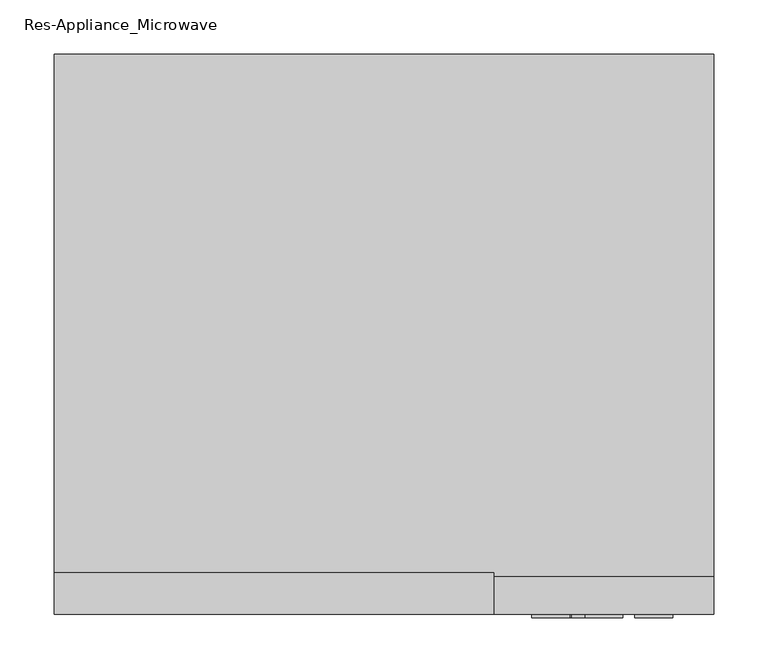
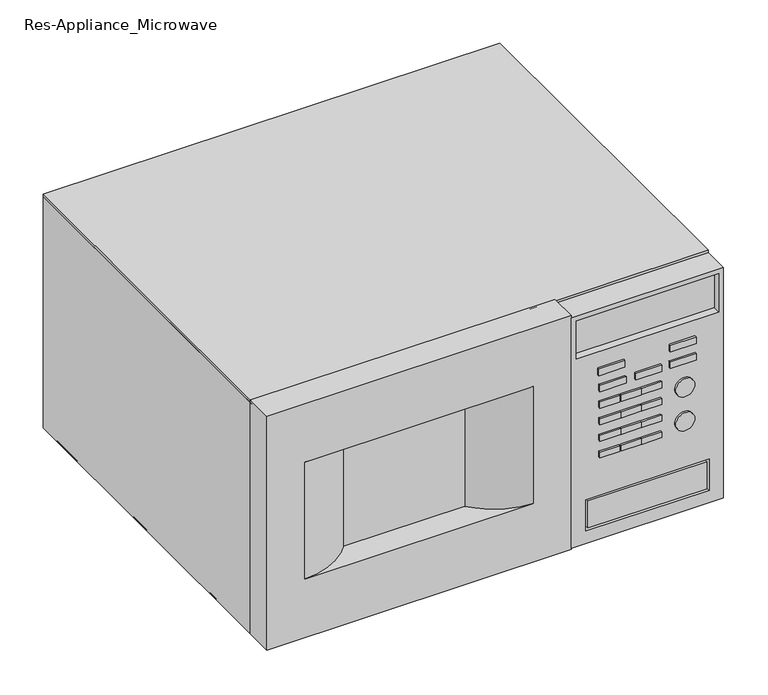
"""IFC4 building model written with IfcOpenShell, lengths in millimetres: proxy geometry, Res-Appliance_Microwave."""

from ifc_helpers import new_model, si_unit, point, frame, frame_2d, origin, origin_with_axes, place, context, project, spatial, polyline, circle_curve, trimmed, segment, composite_curve, outline, extrude, source, transform, mapped, element, save


def res_appliance_microwave_5dda0b2e(model_context):
    return source(origin(), model_context, "Body", "SweptSolid", [
        extrude(outline(polyline([(326.7083045, 434.5268934), (326.7083045, 231.3268934), (1.5875, 231.3268934), (1.5875, 434.5268934), (326.7083045, 434.5268934)]), holes=[polyline([(320.675, 428.1768934), (266.7, 428.1768934), (266.7, 237.6768934), (320.675, 237.6768934), (320.675, 428.1768934)]), polyline([(63.5284377, 415.4762266), (19.0784377, 415.4762266), (19.0784377, 250.3762266), (63.5284377, 250.3762266), (63.5284377, 415.4762266)])]), frame((0.0, -730.3471671, 0.0), z_axis=(0.0, 1.0, 0.0), x_axis=(0.0, 0.0, 1.0)), (0.0, 0.0, 1.0), 34.925),
        extrude(outline(polyline([(412.3012266, -730.3471671), (253.5512266, -730.3471671), (253.5512266, -695.4221671), (412.3012266, -695.4221671), (412.3012266, -730.3471671)])), frame((0.0, 0.0, 22.2534377), z_axis=(0.0, 0.0, 1.0), x_axis=(1.0, 0.0, 0.0)), (0.0, 0.0, 1.0), 38.1),
        extrude(outline(polyline([(302.727743, -733.5221671), (267.802743, -733.5221671), (267.802743, -730.3471671), (302.727743, -730.3471671), (302.727743, -733.5221671)])), frame((0.0, 0.0, 211.6666667), z_axis=(0.0, 0.0, 1.0), x_axis=(1.0, 0.0, 0.0)), (0.0, 0.0, 1.0), 9.1663745),
        extrude(outline(polyline([(350.3893934, -733.5221671), (315.4643934, -733.5221671), (315.4643934, -730.3471671), (350.3893934, -730.3471671), (350.3893934, -733.5221671)])), frame((0.0, 0.0, 211.6666667), z_axis=(0.0, 0.0, 1.0), x_axis=(1.0, 0.0, 0.0)), (0.0, 0.0, 1.0), 9.1663745),
        extrude(outline(polyline([(396.4858162, -733.5221671), (361.5608162, -733.5221671), (361.5608162, -730.3471671), (396.4858162, -730.3471671), (396.4858162, -733.5221671)])), frame((0.0, 0.0, 211.6666667), z_axis=(0.0, 0.0, 1.0), x_axis=(1.0, 0.0, 0.0)), (0.0, 0.0, 1.0), 9.1663745),
        extrude(outline(polyline([(396.4858162, -733.5221671), (361.5608162, -733.5221671), (361.5608162, -730.3471671), (396.4858162, -730.3471671), (396.4858162, -733.5221671)])), frame((0.0, 0.0, 234.95), z_axis=(0.0, 0.0, 1.0), x_axis=(1.0, 0.0, 0.0)), (0.0, 0.0, 1.0), 9.525),
        extrude(outline(polyline([(295.583993, -733.5221671), (267.802743, -733.5221671), (267.802743, -730.3471671), (295.583993, -730.3471671), (295.583993, -733.5221671)])), frame((0.0, 0.0, 165.1), z_axis=(0.0, 0.0, 1.0), x_axis=(1.0, 0.0, 0.0)), (0.0, 0.0, 1.0), 8.4491236),
        extrude(outline(polyline([(322.8859375, -733.5221671), (296.377743, -733.5221671), (296.377743, -730.3471671), (322.8859375, -730.3471671), (322.8859375, -733.5221671)])), frame((0.0, 0.0, 165.1), z_axis=(0.0, 0.0, 1.0), x_axis=(1.0, 0.0, 0.0)), (0.0, 0.0, 1.0), 8.4491236),
        extrude(outline(polyline([(350.3893934, -733.5221671), (323.6796875, -733.5221671), (323.6796875, -730.3471671), (350.3893934, -730.3471671), (350.3893934, -733.5221671)])), frame((0.0, 0.0, 165.1), z_axis=(0.0, 0.0, 1.0), x_axis=(1.0, 0.0, 0.0)), (0.0, 0.0, 1.0), 8.4491236),
        extrude(outline(polyline([(350.3893934, -733.5221671), (323.6796875, -733.5221671), (323.6796875, -730.3471671), (350.3893934, -730.3471671), (350.3893934, -733.5221671)])), frame((0.0, 0.0, 188.0880018), z_axis=(0.0, 0.0, 1.0), x_axis=(1.0, 0.0, 0.0)), (0.0, 0.0, 1.0), 9.1030806),
        extrude(outline(polyline([(295.583993, -733.5221671), (267.802743, -733.5221671), (267.802743, -730.3471671), (295.583993, -730.3471671), (295.583993, -733.5221671)])), frame((0.0, 0.0, 141.8166667), z_axis=(0.0, 0.0, 1.0), x_axis=(1.0, 0.0, 0.0)), (0.0, 0.0, 1.0), 8.0904981),
        extrude(outline(polyline([(322.8859375, -733.5221671), (296.377743, -733.5221671), (296.377743, -730.3471671), (322.8859375, -730.3471671), (322.8859375, -733.5221671)])), frame((0.0, 0.0, 141.8166667), z_axis=(0.0, 0.0, 1.0), x_axis=(1.0, 0.0, 0.0)), (0.0, 0.0, 1.0), 8.0904981),
        extrude(outline(polyline([(350.3893934, -733.5221671), (323.6796875, -733.5221671), (323.6796875, -730.3471671), (350.3893934, -730.3471671), (350.3893934, -733.5221671)])), frame((0.0, 0.0, 141.8166667), z_axis=(0.0, 0.0, 1.0), x_axis=(1.0, 0.0, 0.0)), (0.0, 0.0, 1.0), 8.0904981),
        extrude(outline(polyline([(350.3893934, -733.5221671), (323.6796875, -733.5221671), (323.6796875, -730.3471671), (350.3893934, -730.3471671), (350.3893934, -733.5221671)])), frame((0.0, 0.0, 118.1659363), z_axis=(0.0, 0.0, 1.0), x_axis=(1.0, 0.0, 0.0)), (0.0, 0.0, 1.0), 8.0992697),
        extrude(outline(composite_curve([segment(trimmed(circle_curve(frame_2d((177.8117796, 381.7923379)), 12.7), [point((177.8117796, 394.4923379))], [point((177.8117796, 369.0923379))], False, "CARTESIAN"), True, "CONTINUOUS"), segment(trimmed(circle_curve(frame_2d((177.8117796, 381.7923379)), 12.7), [point((177.8117796, 369.0923379))], [point((177.8117796, 394.4923379))], False, "CARTESIAN"), True, "CONTINUOUS")], self_intersect=False)), frame((0.0, -733.5221671, 0.0), z_axis=(0.0, 1.0, 0.0), x_axis=(0.0, 0.0, 1.0)), (0.0, 0.0, 1.0), 3.175),
        extrude(outline(composite_curve([segment(trimmed(circle_curve(frame_2d((129.8193826, 381.7923379)), 12.7), [point((129.8193826, 394.4923379))], [point((129.8193826, 369.0923379))], False, "CARTESIAN"), True, "CONTINUOUS"), segment(trimmed(circle_curve(frame_2d((129.8193826, 381.7923379)), 12.7), [point((129.8193826, 369.0923379))], [point((129.8193826, 394.4923379))], False, "CARTESIAN"), True, "CONTINUOUS")], self_intersect=False)), frame((0.0, -733.5221671, 0.0), z_axis=(0.0, 1.0, 0.0), x_axis=(0.0, 0.0, 1.0)), (0.0, 0.0, 1.0), 3.175),
        extrude(outline(polyline([(301.2358162, -733.5221671), (266.3108162, -733.5221671), (266.3108162, -730.3471671), (301.2358162, -730.3471671), (301.2358162, -733.5221671)])), frame((0.0, 0.0, 234.95), z_axis=(0.0, 0.0, 1.0), x_axis=(1.0, 0.0, 0.0)), (0.0, 0.0, 1.0), 9.525),
        extrude(outline(polyline([(323.0874489, -733.5221671), (296.377743, -733.5221671), (296.377743, -730.3471671), (323.0874489, -730.3471671), (323.0874489, -733.5221671)])), frame((0.0, 0.0, 118.1659363), z_axis=(0.0, 0.0, 1.0), x_axis=(1.0, 0.0, 0.0)), (0.0, 0.0, 1.0), 8.0992697),
        extrude(outline(polyline([(294.5124489, -733.5221671), (267.802743, -733.5221671), (267.802743, -730.3471671), (294.5124489, -730.3471671), (294.5124489, -733.5221671)])), frame((0.0, 0.0, 118.1659363), z_axis=(0.0, 0.0, 1.0), x_axis=(1.0, 0.0, 0.0)), (0.0, 0.0, 1.0), 8.0992697),
        extrude(outline(polyline([(323.0874489, -733.5221671), (296.377743, -733.5221671), (296.377743, -730.3471671), (323.0874489, -730.3471671), (323.0874489, -733.5221671)])), frame((0.0, 0.0, 188.0880018), z_axis=(0.0, 0.0, 1.0), x_axis=(1.0, 0.0, 0.0)), (0.0, 0.0, 1.0), 9.1030806),
        extrude(outline(polyline([(294.5124489, -733.5221671), (267.802743, -733.5221671), (267.802743, -730.3471671), (294.5124489, -730.3471671), (294.5124489, -733.5221671)])), frame((0.0, 0.0, 188.0880018), z_axis=(0.0, 0.0, 1.0), x_axis=(1.0, 0.0, 0.0)), (0.0, 0.0, 1.0), 9.1030806),
        extrude(outline(polyline([(428.1768934, -720.8221671), (237.6768934, -720.8221671), (237.6768934, -695.4221671), (428.1768934, -695.4221671), (428.1768934, -720.8221671)])), frame((0.0, 0.0, 266.7), z_axis=(0.0, 0.0, 1.0), x_axis=(1.0, 0.0, 0.0)), (0.0, 0.0, 1.0), 53.975),
        extrude(outline(polyline([(110.7848302, -692.2471671), (110.7848302, -695.4221671), (-53.5986317, -695.4221671), (-53.5986317, -692.2471671), (110.7848302, -692.2471671)])), frame((0.0, 0.0, 82.55), z_axis=(0.0, 0.0, 1.0), x_axis=(1.0, 0.0, 0.0)), (0.0, 0.0, 1.0), 165.1),
        extrude(outline(composite_curve([segment(trimmed(circle_curve(frame_2d((-128.7391893, -629.1544343)), 98.1162389), [point((-124.2731066, -727.1689762))], [point((-53.5986317, -692.2471671))], True, "CARTESIAN"), True, "CONTINUOUS"), segment(polyline([(-53.5986317, -692.2471671), (-49.4976463, -692.2471671)]), True, "CONTINUOUS"), segment(trimmed(circle_curve(frame_2d((-128.7391893, -629.1544343)), 101.2912389), [point((-49.4976463, -692.2471671))], [point((-124.2731066, -730.3471671))], False, "CARTESIAN"), True, "CONTINUOUS"), segment(polyline([(-124.2731066, -730.3471671), (-124.2731066, -727.1689762)]), True, "CONTINUOUS")], self_intersect=False)), frame((0.0, 0.0, 82.55), z_axis=(0.0, 0.0, 1.0), x_axis=(1.0, 0.0, 0.0)), (0.0, 0.0, 1.0), 165.1),
        extrude(outline(composite_curve([segment(polyline([(180.5268934, -727.1689762), (180.5268934, -730.3471671)]), True, "CONTINUOUS"), segment(trimmed(circle_curve(frame_2d((184.9929762, -629.1544343)), 101.2912389), [point((180.5268934, -730.3471671))], [point((105.7514332, -692.2471671))], False, "CARTESIAN"), True, "CONTINUOUS"), segment(polyline([(105.7514332, -692.2471671), (109.8524186, -692.2471671)]), True, "CONTINUOUS"), segment(trimmed(circle_curve(frame_2d((184.9929762, -629.1544343)), 98.1162389), [point((109.8524186, -692.2471671))], [point((180.5268934, -727.1689762))], True, "CARTESIAN"), True, "CONTINUOUS")], self_intersect=False)), frame((0.0, 0.0, 82.55), z_axis=(0.0, 0.0, 1.0), x_axis=(1.0, 0.0, 0.0)), (0.0, 0.0, 1.0), 165.1),
        extrude(outline(polyline([(330.2, -175.0731066), (0.0, -175.0731066), (0.0, 231.3268934), (330.2, 231.3268934), (330.2, -175.0731066)]), holes=[composite_curve([segment(trimmed(circle_curve(frame_2d((246.4419106, 179.318804)), 1.2080894), [point((247.65, 179.318804))], [point((246.4419106, 180.5268934))], True, "CARTESIAN"), True, "CONTINUOUS"), segment(polyline([(246.4419106, 180.5268934), (83.7781506, 180.5268934)]), True, "CONTINUOUS"), segment(trimmed(circle_curve(frame_2d((83.7781506, 179.2987429)), 1.2281506), [point((83.7781506, 180.5268934))], [point((82.55, 179.2987429))], True, "CARTESIAN"), True, "CONTINUOUS"), segment(polyline([(82.55, 179.2987429), (82.55, -123.0707347)]), True, "CONTINUOUS"), segment(trimmed(circle_curve(frame_2d((83.7523718, -123.0707347)), 1.2023718), [point((82.55, -123.0707347))], [point((83.7523718, -124.2731066))], True, "CARTESIAN"), True, "CONTINUOUS"), segment(polyline([(83.7523718, -124.2731066), (245.8045713, -124.2731066)]), True, "CONTINUOUS"), segment(trimmed(circle_curve(frame_2d((245.8045713, -122.4276779)), 1.8454287), [point((245.8045713, -124.2731066))], [point((247.65, -122.4276779))], True, "CARTESIAN"), True, "CONTINUOUS"), segment(polyline([(247.65, -122.4276779), (247.65, 179.318804)]), True, "CONTINUOUS")], self_intersect=False)]), frame((0.0, -730.3471671, 0.0), z_axis=(0.0, 1.0, 0.0), x_axis=(0.0, 0.0, 1.0)), (0.0, 0.0, 1.0), 38.1),
        extrude(outline(polyline([(434.5268934, -212.8221671), (434.5268934, -695.4221671), (-175.0731066, -695.4221671), (-175.0731066, -212.8221671), (434.5268934, -212.8221671)])), frame((0.0, 0.0, 326.7083045), z_axis=(0.0, 0.0, 1.0), x_axis=(1.0, 0.0, 0.0)), (0.0, 0.0, 1.0), 3.4916955),
        extrude(outline(polyline([(-175.0731066, -695.4221671), (-175.0731066, -212.8221671), (434.5268934, -212.8221671), (434.5268934, -695.4221671), (231.3268934, -695.4221671), (231.3268934, -231.8721671), (-162.3731066, -231.8721671), (-162.3731066, -695.4221671), (-175.0731066, -695.4221671)])), origin_with_axes(), (0.0, 0.0, 1.0), 326.7083045),
        extrude(outline(polyline([(434.5268934, -212.8221671), (434.5268934, -695.4221671), (-175.0731066, -695.4221671), (-175.0731066, -212.8221671), (434.5268934, -212.8221671)])), origin_with_axes(), (0.0, 0.0, 1.0), 1.5875),
    ])


if __name__ == "__main__":
    model = new_model("IFC4")
    model_context = context("Model", 3, world=origin())
    ifc_project = project(units=[si_unit("LENGTHUNIT", "METRE", prefix="MILLI")], contexts=[model_context])
    site = spatial("IfcSite", under=ifc_project)
    building = spatial("IfcBuilding", under=site)
    placement = place(None, origin())
    res_appliance_microwave_shape = res_appliance_microwave_5dda0b2e(model_context)
    element("IfcBuildingElementProxy", 1, Name="Res-Appliance_Microwave", ObjectType="Res-Appliance_Microwave", at=placement, inside=building, context=model_context, shape_type="MappedRepresentation", body=[
        mapped(res_appliance_microwave_shape, transform((0.0, 0.0, 0.0), x_axis=(1.0, 0.0, 0.0), y_axis=(0.0, 1.0, 0.0), z_axis=(0.0, 0.0, 1.0))),
    ])
    save(model, "model.ifc")
